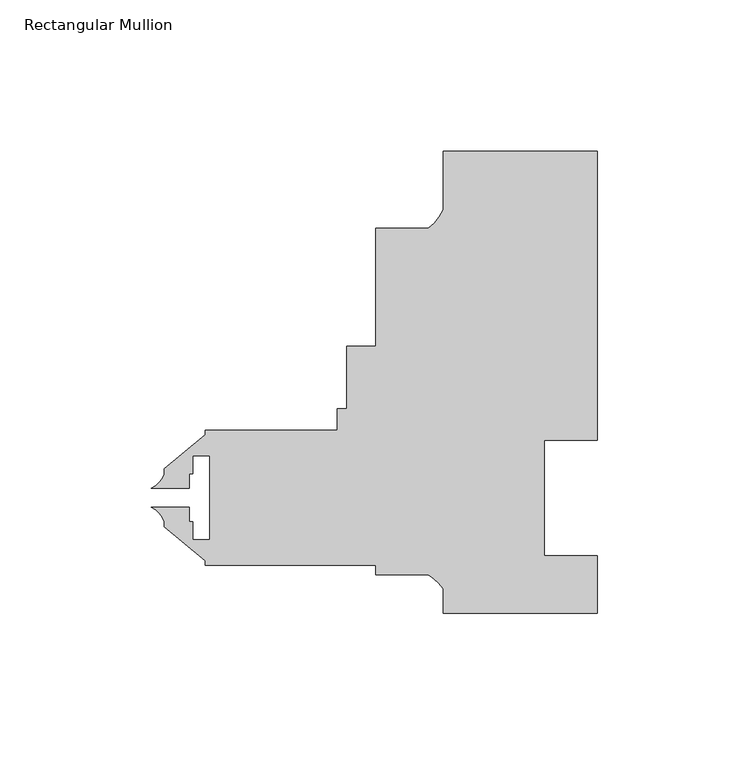
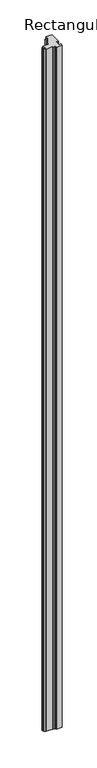
"""IFC4 building model written with IfcOpenShell, lengths in millimetres: member geometry, Rectangular Mullion."""

from ifc_helpers import new_model, si_unit, point, frame, frame_2d, origin, place, context, project, spatial, polyline, circle_curve, trimmed, segment, composite_curve, outline, extrude, source, transform, mapped, element, save


def rectangular_mullion_b2ebac5f(model_context):
    return source(origin(), model_context, "Body", "SweptSolid", [
        extrude(outline(composite_curve([segment(polyline([(-47.625, 127.0), (-30.2934851, 127.0)]), True, "CONTINUOUS"), segment(trimmed(circle_curve(frame_2d((-39.5144624, 139.281361)), 15.3576772), [point((-30.2934851, 127.0))], [point((-25.4, 133.228246))], True, "CARTESIAN"), True, "CONTINUOUS"), segment(polyline([(-25.4, 133.228246), (-25.4, 152.4), (25.4, 152.4), (25.4, 57.15), (7.9502, 57.15), (7.9502, 19.05), (25.3999898, 19.05), (25.3999898, 0.0), (-25.4000102, 0.0), (-25.4000102, 8.1515407)]), True, "CONTINUOUS"), segment(trimmed(circle_curve(frame_2d((-37.3094465, 0.1243368)), 14.3621265), [point((-25.4000102, 8.1515407))], [point((-30.3723453, 12.7))], True, "CARTESIAN"), True, "CONTINUOUS"), segment(polyline([(-30.3723453, 12.7), (-47.625, 12.7), (-47.625, 15.875), (-103.98125, 15.875), (-103.98125, 17.2691667), (-117.44325, 28.565126), (-117.44325, 30.2532603)]), True, "CONTINUOUS"), segment(trimmed(circle_curve(frame_2d((-124.8192524, 27.8631039)), 7.7535965), [point((-117.44325, 30.2532603))], [point((-121.6410584, 34.9353979))], True, "CARTESIAN"), True, "CONTINUOUS"), segment(polyline([(-121.6410584, 34.9353979), (-109.14848, 34.9353979), (-109.14848, 30.17266), (-108.01985, 30.17266), (-108.01985, 24.20366), (-102.40645, 24.20366), (-102.40645, 51.99126), (-108.01985, 51.99126), (-108.01985, 46.02226), (-109.14848, 46.02226), (-109.14848, 41.2595155), (-121.6410731, 41.2595155)]), True, "CONTINUOUS"), segment(trimmed(circle_curve(frame_2d((-124.8192524, 48.3318161)), 7.7535965), [point((-121.6410731, 41.2595155))], [point((-117.44325, 45.9416597))], True, "CARTESIAN"), True, "CONTINUOUS"), segment(polyline([(-117.44325, 45.9416597), (-117.44325, 47.629794), (-103.98125, 58.9257533), (-103.98125, 60.325), (-60.3274573, 60.325), (-60.3274573, 67.537255), (-57.1524573, 67.537255), (-57.1524573, 88.162055), (-47.625, 88.162055), (-47.625, 127.0)]), True, "CONTINUOUS")], self_intersect=False)), frame((0.0, 0.0, -6150.8979519), z_axis=(0.0, 0.0, 1.0), x_axis=(1.0, 0.0, 0.0)), (0.0, 0.0, 1.0), 6150.8979519),
    ])


if __name__ == "__main__":
    model = new_model("IFC4")
    model_context = context("Model", 3, world=origin())
    ifc_project = project(units=[si_unit("LENGTHUNIT", "METRE", prefix="MILLI")], contexts=[model_context])
    site = spatial("IfcSite", under=ifc_project)
    building = spatial("IfcBuilding", under=site)
    placement = place(None, origin())
    rectangular_mullion_shape = rectangular_mullion_b2ebac5f(model_context)
    element("IfcMember", 1, ObjectType="Rectangular Mullion", at=placement, inside=building, context=model_context, shape_type="MappedRepresentation", body=[
        mapped(rectangular_mullion_shape, transform((0.0, 0.0, 0.0), x_axis=(1.0, 0.0, 0.0), y_axis=(0.0, 1.0, 0.0), z_axis=(0.0, 0.0, 1.0))),
    ])
    save(model, "model.ifc")
